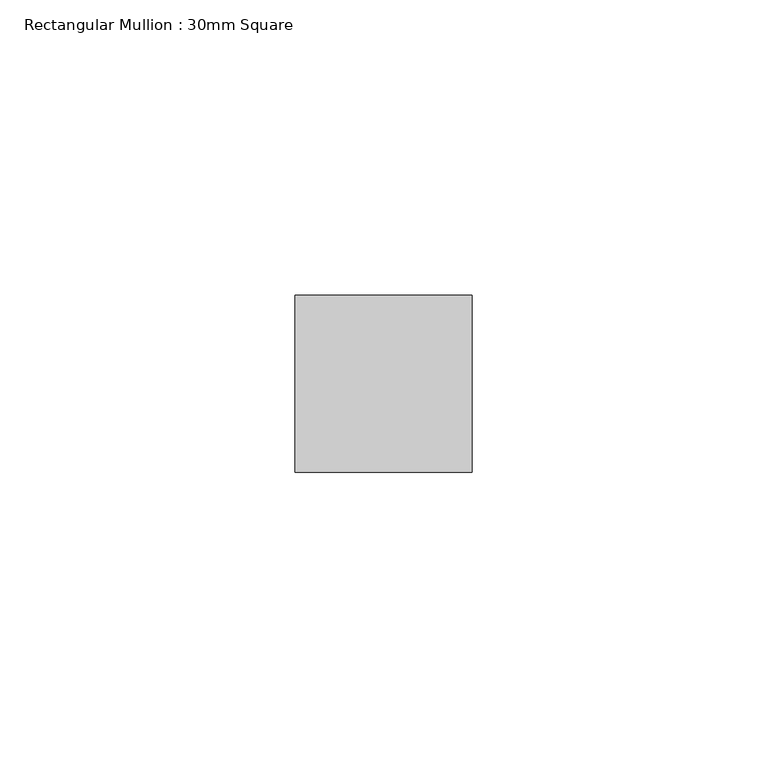
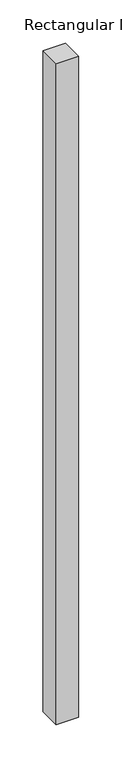
"""IFC4 building model written with IfcOpenShell, lengths in millimetres: member geometry, Rectangular Mullion : 30mm Square."""

from ifc_helpers import new_model, si_unit, frame, origin, place, context, project, spatial, polyline, outline, extrude, source, transform, mapped, element, save


def rectangular_mullion_30mm_square_9004d839(model_context):
    return source(origin(), model_context, "Body", "SweptSolid", [
        extrude(outline(polyline([(0.0, 15.0), (0.0, -15.0), (-30.0, -15.0), (-30.0, 15.0), (0.0, 15.0)])), frame((0.0, 0.0, -929.1958271), z_axis=(0.0, 0.0, 1.0), x_axis=(1.0, 0.0, 0.0)), (0.0, 0.0, 1.0), 929.1958271),
    ])


if __name__ == "__main__":
    model = new_model("IFC4")
    model_context = context("Model", 3, world=origin())
    ifc_project = project(units=[si_unit("LENGTHUNIT", "METRE", prefix="MILLI")], contexts=[model_context])
    site = spatial("IfcSite", under=ifc_project)
    building = spatial("IfcBuilding", under=site)
    placement = place(None, origin())
    rectangular_mullion_30mm_square_shape = rectangular_mullion_30mm_square_9004d839(model_context)
    element("IfcMember", 1, ObjectType="Rectangular Mullion : 30mm Square", at=placement, inside=building, context=model_context, shape_type="MappedRepresentation", body=[
        mapped(rectangular_mullion_30mm_square_shape, transform((0.0, 0.0, 0.0), x_axis=(1.0, 0.0, 0.0), y_axis=(0.0, 1.0, 0.0), z_axis=(0.0, 0.0, 1.0))),
    ])
    save(model, "model.ifc")
